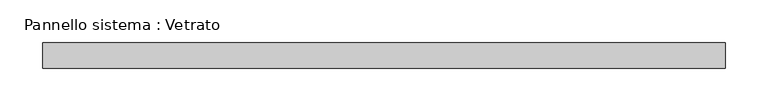
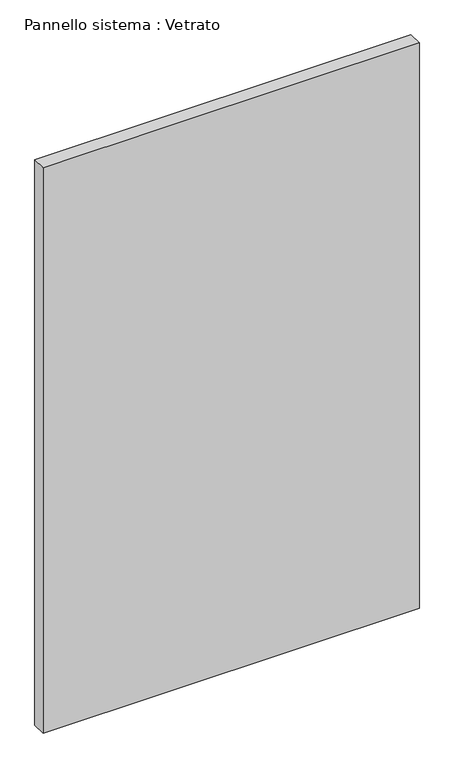
"""IFC4 building model written with IfcOpenShell, lengths in millimetres: plate geometry, Pannello sistema : Vetrato."""

from ifc_helpers import new_model, si_unit, origin, origin_with_axes, place, context, project, spatial, polyline, outline, extrude, source, transform, mapped, element, save


def pannello_sistema_vetrato_4d911364(model_context):
    return source(origin(), model_context, "Body", "SweptSolid", [
        extrude(outline(polyline([(401.5, -15.0), (-401.5, -15.0), (-401.5, 15.0), (401.5, 15.0), (401.5, -15.0)])), origin_with_axes(), (0.0, 0.0, 1.0), 1275.0),
    ])


if __name__ == "__main__":
    model = new_model("IFC4")
    model_context = context("Model", 3, world=origin())
    ifc_project = project(units=[si_unit("LENGTHUNIT", "METRE", prefix="MILLI")], contexts=[model_context])
    site = spatial("IfcSite", under=ifc_project)
    building = spatial("IfcBuilding", under=site)
    placement = place(None, origin())
    pannello_sistema_vetrato_shape = pannello_sistema_vetrato_4d911364(model_context)
    element("IfcPlate", 1, ObjectType="Pannello sistema : Vetrato", at=placement, inside=building, context=model_context, shape_type="MappedRepresentation", body=[
        mapped(pannello_sistema_vetrato_shape, transform((0.0, 0.0, 0.0), x_axis=(1.0, 0.0, 0.0), y_axis=(0.0, 1.0, 0.0), z_axis=(0.0, 0.0, 1.0))),
    ])
    save(model, "model.ifc")
